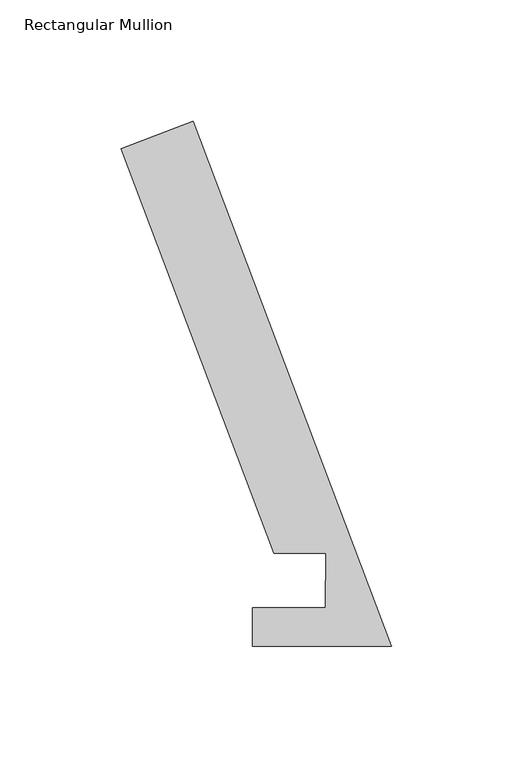
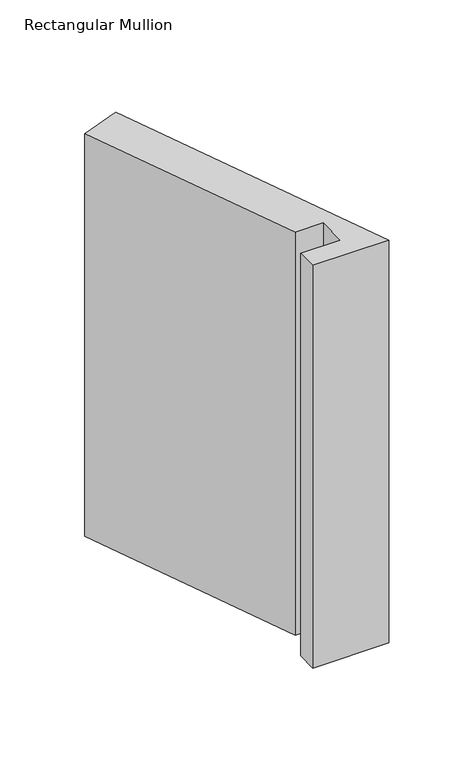
"""IFC4 building model written with IfcOpenShell, lengths in millimetres: member geometry, Rectangular Mullion."""

from ifc_helpers import new_model, si_unit, frame, origin, place, context, project, spatial, polyline, outline, extrude, source, transform, mapped, element, save


def rectangular_mullion_42d76d99(model_context):
    return source(origin(), model_context, "Body", "SweptSolid", [
        extrude(outline(polyline([(0.0, 0.0380112), (-57.2922169, 0.0380112), (-57.2922169, 15.9130112), (-27.171167, 15.9130112), (-27.1188377, 38.4070265), (-48.4318773, 38.386739), (-111.4308257, 205.1086181), (-81.7304777, 216.3314444), (0.0, 0.0380112)])), frame((0.0, 0.0, -322.2821525), z_axis=(0.0, 0.0, 1.0), x_axis=(1.0, 0.0, 0.0)), (0.0, 0.0, 1.0), 322.2821525),
    ])


if __name__ == "__main__":
    model = new_model("IFC4")
    model_context = context("Model", 3, world=origin())
    ifc_project = project(units=[si_unit("LENGTHUNIT", "METRE", prefix="MILLI")], contexts=[model_context])
    site = spatial("IfcSite", under=ifc_project)
    building = spatial("IfcBuilding", under=site)
    placement = place(None, origin())
    rectangular_mullion_shape = rectangular_mullion_42d76d99(model_context)
    element("IfcMember", 1, ObjectType="Rectangular Mullion", at=placement, inside=building, context=model_context, shape_type="MappedRepresentation", body=[
        mapped(rectangular_mullion_shape, transform((0.0, 0.0, 0.0), x_axis=(1.0, 0.0, 0.0), y_axis=(0.0, 1.0, 0.0), z_axis=(0.0, 0.0, 1.0))),
    ])
    save(model, "model.ifc")
